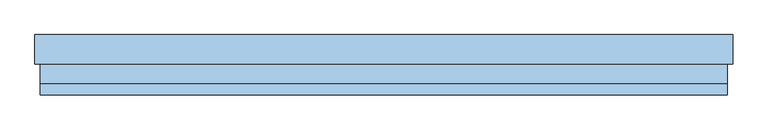
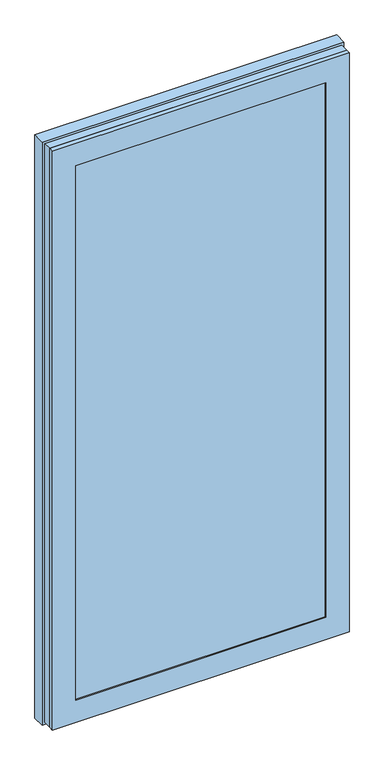
"""IFC4 building model written with IfcOpenShell, lengths in millimetres: window geometry."""

from ifc_helpers import new_model, si_unit, frame, origin, place, context, project, spatial, polyline, outline, extrude, faceted_brep, source, transform, mapped, element, save


def window_36b2b108(model_context):
    return source(origin(), model_context, "Body", "SolidModel", [
        faceted_brep([(477.0, -46.0, 2252.0), (477.0, -46.0, 98.0), (477.0, -51.0, 98.0), (477.0, -51.0, 2252.0), (566.0, -51.0, 9.0), (566.0, -51.0, 2341.0), (-566.0, -51.0, 2341.0), (-566.0, -51.0, 9.0), (-477.0, -51.0, 98.0), (-477.0, -51.0, 2252.0), (-477.0, -46.0, 98.0), (495.0, -46.0, 2270.0), (495.0, -46.0, 80.0), (-495.0, -46.0, 80.0), (-495.0, -46.0, 2270.0), (-477.0, -46.0, 2252.0), (495.0, -14.0, 2270.0), (495.0, -14.0, 80.0), (-495.0, -14.0, 80.0), (-495.0, -14.0, 2270.0), (477.0, -14.0, 2252.0), (477.0, -14.0, 98.0), (-477.0, -14.0, 98.0), (-477.0, -14.0, 2252.0), (477.0, 3.0, 2252.0), (477.0, 3.0, 98.0), (-477.0, 3.0, 98.0), (498.0, 3.0, 2273.0), (498.0, 3.0, 77.0), (-498.0, 3.0, 77.0), (-498.0, 3.0, 2273.0), (-477.0, 3.0, 2252.0), (498.0, 48.0, 2273.0), (498.0, 48.0, 77.0), (-498.0, 48.0, 77.0), (514.0, 48.0, 2289.0), (514.0, 48.0, 61.0), (-514.0, 48.0, 61.0), (-514.0, 48.0, 2289.0), (-498.0, 48.0, 2273.0), (514.0, 21.0, 2289.0), (514.0, 21.0, 61.0), (-514.0, 21.0, 61.0), (529.0, 21.0, 2304.0), (529.0, 21.0, 46.0), (-529.0, 21.0, 46.0), (-529.0, 21.0, 2304.0), (-514.0, 21.0, 2289.0), (529.0, -21.0, 2304.0), (529.0, -21.0, 46.0), (-529.0, -21.0, 46.0), (541.0, -21.0, 2316.0), (541.0, -21.0, 34.0), (-541.0, -21.0, 34.0), (-541.0, -21.0, 2316.0), (-529.0, -21.0, 2304.0), (541.0, -33.0, 2316.0), (541.0, -33.0, 34.0), (-541.0, -33.0, 34.0), (566.0, -33.0, 2341.0), (566.0, -33.0, 9.0), (-566.0, -33.0, 9.0), (-566.0, -33.0, 2341.0), (-541.0, -33.0, 2316.0)], [[[0, 1, 2, 3]], [[4, 5, 6, 7], [3, 2, 8, 9]], [[1, 10, 8, 2]], [[11, 12, 13, 14], [1, 0, 15, 10]], [[16, 17, 12, 11]], [[17, 18, 13, 12]], [[17, 16, 19, 18], [20, 21, 22, 23]], [[24, 25, 21, 20]], [[25, 26, 22, 21]], [[27, 28, 29, 30], [25, 24, 31, 26]], [[32, 33, 28, 27]], [[33, 34, 29, 28]], [[35, 36, 37, 38], [33, 32, 39, 34]], [[40, 41, 36, 35]], [[41, 42, 37, 36]], [[43, 44, 45, 46], [41, 40, 47, 42]], [[48, 49, 44, 43]], [[49, 50, 45, 44]], [[51, 52, 53, 54], [49, 48, 55, 50]], [[56, 57, 52, 51]], [[57, 58, 53, 52]], [[59, 60, 61, 62], [57, 56, 63, 58]], [[5, 4, 60, 59]], [[4, 7, 61, 60]], [[10, 15, 9, 8]], [[18, 19, 14, 13]], [[26, 31, 23, 22]], [[34, 39, 30, 29]], [[42, 47, 38, 37]], [[50, 55, 46, 45]], [[58, 63, 54, 53]], [[7, 6, 62, 61]], [[15, 0, 3, 9]], [[19, 16, 11, 14]], [[31, 24, 20, 23]], [[39, 32, 27, 30]], [[47, 40, 35, 38]], [[55, 48, 43, 46]], [[63, 56, 51, 54]], [[6, 5, 59, 62]]]),
        faceted_brep([(541.0, -21.0, 2316.0), (541.0, -21.0, 34.0), (541.0, -33.0, 34.0), (541.0, -33.0, 2316.0), (-541.0, -21.0, 34.0), (-541.0, -33.0, 34.0), (-566.0, -33.0, 9.0), (566.0, -33.0, 9.0), (566.0, -33.0, 2341.0), (-566.0, -33.0, 2341.0), (-541.0, -33.0, 2316.0), (-541.0, -21.0, 2316.0), (529.0, -21.0, 46.0), (-529.0, -21.0, 46.0), (-529.0, -21.0, 2304.0), (529.0, -21.0, 2304.0), (520.0, 48.0, 2295.0), (520.0, 48.0, 55.0), (520.0, 21.0, 55.0), (520.0, 21.0, 2295.0), (-520.0, 48.0, 55.0), (-520.0, 21.0, 55.0), (-529.0, 21.0, 46.0), (529.0, 21.0, 46.0), (529.0, 21.0, 2304.0), (-529.0, 21.0, 2304.0), (-520.0, 21.0, 2295.0), (-520.0, 48.0, 2295.0), (575.0, 48.0, 0.0), (-575.0, 48.0, 0.0), (-575.0, 48.0, 2350.0), (575.0, 48.0, 2350.0), (575.0, 0.0, 2350.0), (575.0, 0.0, 0.0), (-575.0, 0.0, 0.0), (-575.0, 0.0, 2350.0), (566.0, 0.0, 9.0), (-566.0, 0.0, 9.0), (-566.0, 0.0, 2341.0), (566.0, 0.0, 2341.0)], [[[0, 1, 2, 3]], [[1, 4, 5, 2]], [[6, 7, 8, 9], [2, 5, 10, 3]], [[4, 11, 10, 5]], [[4, 1, 0, 11], [12, 13, 14, 15]], [[16, 17, 18, 19]], [[17, 20, 21, 18]], [[22, 23, 24, 25], [18, 21, 26, 19]], [[20, 27, 26, 21]], [[28, 29, 30, 31], [20, 17, 16, 27]], [[32, 33, 28, 31]], [[33, 34, 29, 28]], [[34, 35, 30, 29]], [[34, 33, 32, 35], [36, 37, 38, 39]], [[6, 9, 38, 37]], [[8, 7, 36, 39]], [[7, 6, 37, 36]], [[24, 23, 12, 15]], [[23, 22, 13, 12]], [[22, 25, 14, 13]], [[11, 0, 3, 10]], [[27, 16, 19, 26]], [[35, 32, 31, 30]], [[25, 24, 15, 14]], [[9, 8, 39, 38]]]),
        extrude(outline(polyline([(495.0, -14.0), (495.0, -46.0), (-495.0, -46.0), (-495.0, -14.0), (495.0, -14.0)])), frame((0.0, 0.0, 80.0), z_axis=(0.0, 0.0, 1.0), x_axis=(1.0, 0.0, 0.0)), (0.0, 0.0, 1.0), 2190.0),
    ])


if __name__ == "__main__":
    model = new_model("IFC4")
    model_context = context("Model", 3, world=origin())
    ifc_project = project(units=[si_unit("LENGTHUNIT", "METRE", prefix="MILLI")], contexts=[model_context])
    site = spatial("IfcSite", under=ifc_project)
    building = spatial("IfcBuilding", under=site)
    placement = place(None, origin())
    window_shape = window_36b2b108(model_context)
    element("IfcWindow", 1, at=placement, inside=building, context=model_context, shape_type="MappedRepresentation", body=[
        mapped(window_shape, transform((0.0, 0.0, 0.0), x_axis=(1.0, 0.0, 0.0), y_axis=(0.0, 1.0, 0.0), z_axis=(0.0, 0.0, 1.0))),
    ])
    save(model, "model.ifc")
